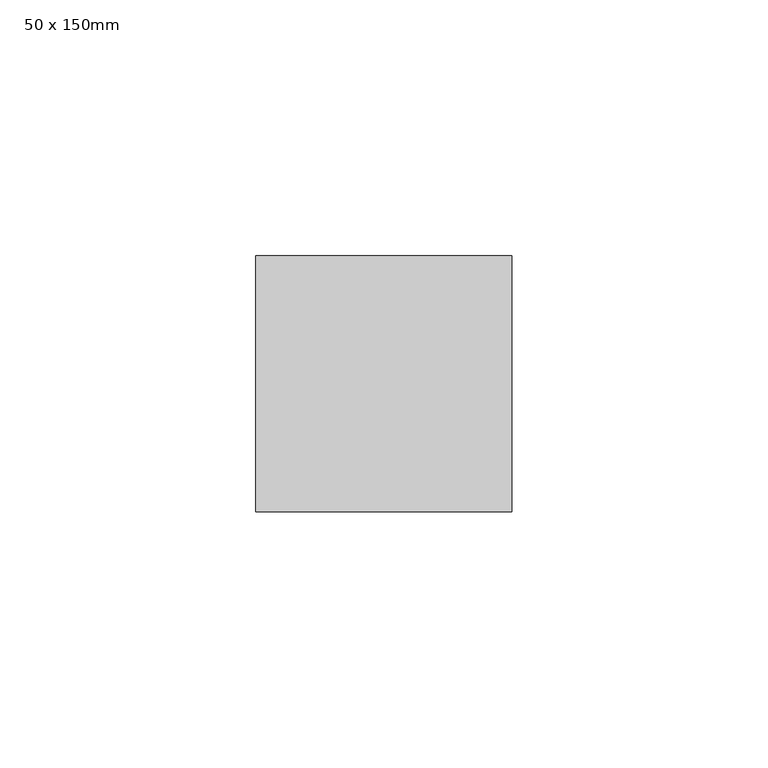
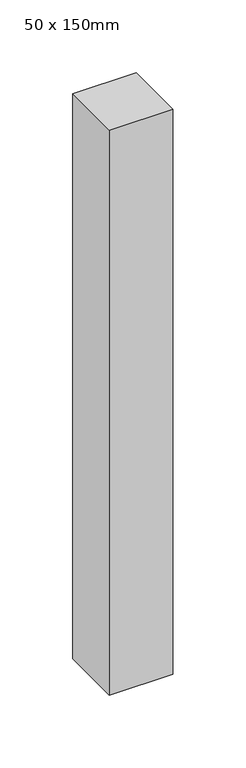
"""IFC4 building model written with IfcOpenShell, lengths in millimetres: member geometry, 50 x 150mm."""

import ifcopenshell
import ifcopenshell.guid

model = None  # the IFC model being written
_history = None  # IfcOwnerHistory: only IFC2X3 demands one
_inside = {}  # id of a spatial element -> (the spatial element, [elements in it])
_under = {}  # id of a project, library or spatial element -> (it, [spatial elements below it])
_declared = {}  # id of a project -> (the project, [libraries it declares])
_typed = {}  # id of a type object -> (the type object, [elements of that type])
_made_of = {}  # id of a material, layer set ... -> (it, [elements and type objects made of it])


def new_model(schema):
    """Start an empty IFC model of exactly this schema.

    Asked for "IFC4X3", IfcOpenShell would pick the latest addendum, in which some entities
    have other attributes; the version numbers below select the first issue.
    IFC2X3 requires an IfcOwnerHistory on every rooted entity: one is made here for all.
    """
    global model, _history
    if schema == "IFC4X3":
        model = ifcopenshell.file(schema_version=(4, 3, 0, 0))
    else:
        model = ifcopenshell.file(schema=schema)
    _inside.clear()
    _under.clear()
    _declared.clear()
    _typed.clear()
    _made_of.clear()
    _history = None
    if model.schema == "IFC2X3":
        org = make("IfcOrganization", Name="unknown")
        user = make(
            "IfcPersonAndOrganization",
            ThePerson=make("IfcPerson", FamilyName="unknown"),
            TheOrganization=org,
        )
        app = make(
            "IfcApplication",
            ApplicationDeveloper=org,
            Version="unknown",
            ApplicationFullName="unknown",
            ApplicationIdentifier="unknown",
        )
        _history = make(
            "IfcOwnerHistory",
            OwningUser=user,
            OwningApplication=app,
            ChangeAction="ADDED",
            CreationDate=0,
        )
    return model


def make(cls, **values):
    """One entity of the class cls with the attributes given. An attribute that is None is left unset."""
    return model.create_entity(
        cls, **{name: value for name, value in values.items() if value is not None}
    )


def rooted(cls, **values):
    """An entity with a GlobalId (a new one), such as an element, a storey or a relation."""
    return make(cls, GlobalId=ifcopenshell.guid.new(), OwnerHistory=_history, **values)


def si_unit(unit_type, name, prefix=None):
    """IfcSIUnit, for example si_unit("LENGTHUNIT", "METRE", prefix="MILLI")."""
    return make("IfcSIUnit", UnitType=unit_type, Prefix=prefix, Name=name)


def assignment(units):
    """IfcUnitAssignment: the units of a project."""
    return None if units is None else make("IfcUnitAssignment", Units=units)


def point(xyz):
    """IfcCartesianPoint."""
    return None if xyz is None else make("IfcCartesianPoint", Coordinates=xyz)


def direction(xyz):
    """IfcDirection."""
    return None if xyz is None else make("IfcDirection", DirectionRatios=xyz)


def frame(location, z_axis=None, x_axis=None):
    """IfcAxis2Placement3D, a coordinate frame: its origin and axes. An axis left out is left unset."""
    return make(
        "IfcAxis2Placement3D",
        Location=point(location),
        Axis=direction(z_axis),
        RefDirection=direction(x_axis),
    )


def origin():
    """The frame at (0, 0, 0) with its axes left unset."""
    return frame((0.0, 0.0, 0.0))


def place(relative_to, where):
    """IfcLocalPlacement: puts the frame where relative to a parent placement (None: the world)."""
    return make(
        "IfcLocalPlacement", PlacementRelTo=relative_to, RelativePlacement=where
    )


def context(
    kind, dimensions, precision=None, world=None, true_north=None, identifier=None
):
    """IfcGeometricRepresentationContext, for example the 3D "Model" context."""
    return make(
        "IfcGeometricRepresentationContext",
        ContextIdentifier=identifier,
        ContextType=kind,
        CoordinateSpaceDimension=dimensions,
        Precision=precision,
        WorldCoordinateSystem=world,
        TrueNorth=true_north,
    )


def project(units=None, contexts=None):
    """IfcProject with its units and contexts."""
    return rooted(
        "IfcProject",
        Name="project",
        RepresentationContexts=contexts,
        UnitsInContext=assignment(units),
    )


def spatial(cls, under=None, at=None, **own):
    """A site, building, storey or space (cls), placed at a placement, below another one or the project."""
    s = rooted(cls, ObjectPlacement=at, **own)
    if under is not None:
        _under.setdefault(under.id(), (under, []))[1].append(s)
    return s


def polyline(points):
    """IfcPolyline through the points."""
    return make("IfcPolyline", Points=[point(p) for p in points])


def outline(outer, holes=None, kind="AREA"):
    """IfcArbitraryClosedProfileDef: a profile drawn as a closed curve; with holes, ...WithVoids."""
    if holes is None:
        return make("IfcArbitraryClosedProfileDef", ProfileType=kind, OuterCurve=outer)
    return make(
        "IfcArbitraryProfileDefWithVoids",
        ProfileType=kind,
        OuterCurve=outer,
        InnerCurves=holes,
    )


def extrude(swept, where, along, depth):
    """IfcExtrudedAreaSolid: the profile swept, set in the frame where, extruded along a direction by depth."""
    return make(
        "IfcExtrudedAreaSolid",
        SweptArea=swept,
        Position=where,
        ExtrudedDirection=direction(along),
        Depth=depth,
    )


def shape(context_of_items, identifier, shape_type, items):
    """IfcShapeRepresentation: the items that make up one representation, for example the "Body"."""
    return make(
        "IfcShapeRepresentation",
        ContextOfItems=context_of_items,
        RepresentationIdentifier=identifier,
        RepresentationType=shape_type,
        Items=items,
    )


def source(mapping_origin, context_of_items, identifier, shape_type, items):
    """IfcRepresentationMap: a shape defined once, which mapped items show again and again."""
    return make(
        "IfcRepresentationMap",
        MappingOrigin=mapping_origin,
        MappedRepresentation=shape(context_of_items, identifier, shape_type, items),
    )


def transform(
    local_origin,
    x_axis=None,
    y_axis=None,
    z_axis=None,
    scale=None,
    scale2=None,
    scale3=None,
    uniform=True,
):
    """IfcCartesianTransformationOperator3D, or its non-uniform kind. x_axis, y_axis, z_axis: its Axis1, 2, 3."""
    if uniform:
        return make(
            "IfcCartesianTransformationOperator3D",
            Axis1=direction(x_axis),
            Axis2=direction(y_axis),
            LocalOrigin=point(local_origin),
            Scale=scale,
            Axis3=direction(z_axis),
        )
    return make(
        "IfcCartesianTransformationOperator3DnonUniform",
        Axis1=direction(x_axis),
        Axis2=direction(y_axis),
        LocalOrigin=point(local_origin),
        Scale=scale,
        Axis3=direction(z_axis),
        Scale2=scale2,
        Scale3=scale3,
    )


def mapped(mapping_source, mapping_target):
    """IfcMappedItem: shows the shape of a source again, moved by a transform."""
    return make(
        "IfcMappedItem", MappingSource=mapping_source, MappingTarget=mapping_target
    )


def made_of(thing, what):
    """Note that an element or type object is made of a material, layer set ...; save() writes the relation."""
    if what is not None:
        _made_of.setdefault(what.id(), (what, []))[1].append(thing)
    return thing


def element(
    cls,
    number,
    at=None,
    inside=None,
    cuts=None,
    type_object=None,
    material=None,
    context=None,
    identifier="Body",
    shape_type=None,
    held_by="IfcProductDefinitionShape",
    body=None,
    shapes=None,
    **own,
):
    """One element of the class cls, such as IfcWall. Its Tag is "e" and its number.

    at: its placement. inside: the storey or other place that contains it. cuts: it is an
    opening in that element (IfcRelVoidsElement). A single representation is given by context,
    identifier, shape_type and body (its items); several are given by shapes. held_by: the class
    of the entity that holds the representations. save() writes the other relations.
    """
    e = rooted(cls, Tag="e%d" % number, ObjectPlacement=at, **own)
    if body is not None:
        shapes = [shape(context, identifier, shape_type, body)]
    if shapes is not None:
        e.Representation = make(held_by, Representations=shapes)
    if inside is not None:
        _inside.setdefault(inside.id(), (inside, []))[1].append(e)
    if cuts is not None:
        rooted(
            "IfcRelVoidsElement", RelatingBuildingElement=cuts, RelatedOpeningElement=e
        )
    if type_object is not None:
        _typed.setdefault(type_object.id(), (type_object, []))[1].append(e)
    return made_of(e, material)


def aggregate(whole, parts):
    """IfcRelAggregates: a whole, such as a stair, and the parts it consists of."""
    return rooted("IfcRelAggregates", RelatingObject=whole, RelatedObjects=parts)


def save(model, path):
    """Write the relations noted so far, then the file.

    IfcRelAggregates (storeys below a building ...), IfcRelContainedInSpatialStructure (elements
    in a storey), IfcRelDefinesByType, IfcRelAssociatesMaterial and IfcRelDeclares: one each for
    every whole, place, type object, material and project.
    """
    for whole, parts in _under.values():
        aggregate(whole, parts)
    for where, things in _inside.values():
        rooted(
            "IfcRelContainedInSpatialStructure",
            RelatedElements=things,
            RelatingStructure=where,
        )
    for kind, things in _typed.values():
        rooted("IfcRelDefinesByType", RelatedObjects=things, RelatingType=kind)
    for what, things in _made_of.values():
        rooted("IfcRelAssociatesMaterial", RelatedObjects=things, RelatingMaterial=what)
    for by, libraries in _declared.values():
        rooted("IfcRelDeclares", RelatingContext=by, RelatedDefinitions=libraries)
    model.write(path)


def member_50_x_150mm_5e0e2fcd(model_context):
    return source(origin(), model_context, "Body", "SweptSolid", [
        extrude(outline(polyline([(25.0, 25.0), (25.0, -25.0), (-25.0, -25.0), (-25.0, 25.0), (25.0, 25.0)])), frame((0.0, 0.0, -472.2831975), z_axis=(0.0, 0.0, 1.0), x_axis=(1.0, 0.0, 0.0)), (0.0, 0.0, 1.0), 472.2831975),
    ])


if __name__ == "__main__":
    model = new_model("IFC4")
    model_context = context("Model", 3, world=origin())
    ifc_project = project(units=[si_unit("LENGTHUNIT", "METRE", prefix="MILLI")], contexts=[model_context])
    site = spatial("IfcSite", under=ifc_project)
    building = spatial("IfcBuilding", under=site)
    placement = place(None, origin())
    member_50_x_150mm_shape = member_50_x_150mm_5e0e2fcd(model_context)
    element("IfcMember", 1, ObjectType="50 x 150mm", at=placement, inside=building, context=model_context, shape_type="MappedRepresentation", body=[
        mapped(member_50_x_150mm_shape, transform((0.0, 0.0, 0.0), x_axis=(1.0, 0.0, 0.0), y_axis=(0.0, 1.0, 0.0), z_axis=(0.0, 0.0, 1.0))),
    ])
    save(model, "model.ifc")
